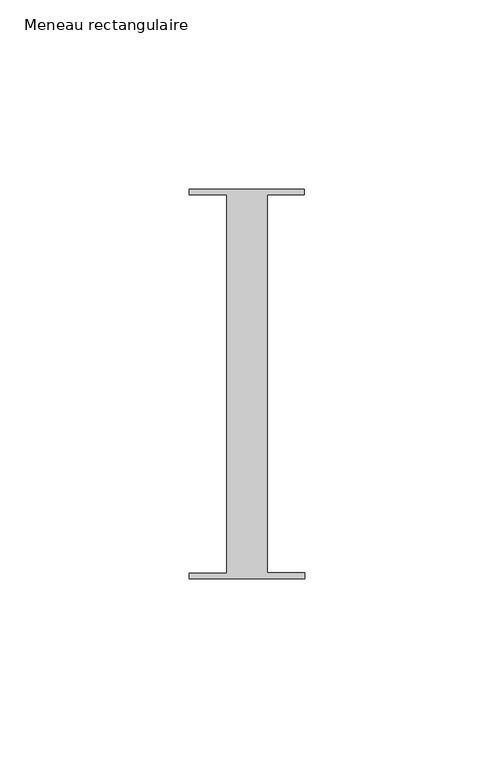
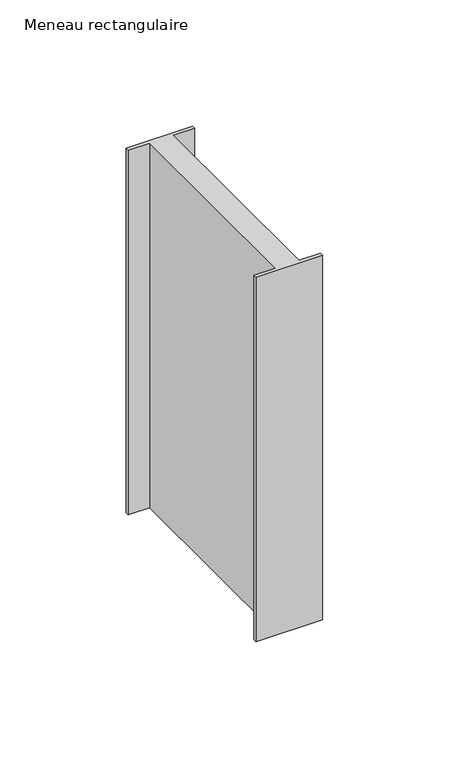
"""IFC4 building model written with IfcOpenShell, lengths in millimetres: member geometry, Meneau rectangulaire."""

from ifc_helpers import new_model, si_unit, frame, origin, place, context, project, spatial, polyline, outline, extrude, source, transform, mapped, element, save


def meneau_rectangulaire_98c22745(model_context):
    return source(origin(), model_context, "Body", "SweptSolid", [
        extrude(outline(polyline([(15.1919193, 51.5152664), (15.1934333, 50.0054494), (5.4028486, 50.0054494), (5.4028486, -49.9846825), (15.2937013, -49.9846825), (15.2952055, -51.4846817), (-15.2047792, -51.5152664), (-15.2062834, -50.0152672), (-5.4194144, -50.0152672), (-5.4194144, 49.9942223), (-15.3065707, 49.9942223), (-15.3080653, 51.4846817), (15.1919193, 51.5152664)])), frame((0.0, 0.0, -176.4071477), z_axis=(0.0, 0.0, 1.0), x_axis=(1.0, 0.0, 0.0)), (0.0, 0.0, 1.0), 176.4071477),
    ])


if __name__ == "__main__":
    model = new_model("IFC4")
    model_context = context("Model", 3, world=origin())
    ifc_project = project(units=[si_unit("LENGTHUNIT", "METRE", prefix="MILLI")], contexts=[model_context])
    site = spatial("IfcSite", under=ifc_project)
    building = spatial("IfcBuilding", under=site)
    placement = place(None, origin())
    meneau_rectangulaire_shape = meneau_rectangulaire_98c22745(model_context)
    element("IfcMember", 1, ObjectType="Meneau rectangulaire", at=placement, inside=building, context=model_context, shape_type="MappedRepresentation", body=[
        mapped(meneau_rectangulaire_shape, transform((0.0, 0.0, 0.0), x_axis=(1.0, 0.0, 0.0), y_axis=(0.0, 1.0, 0.0), z_axis=(0.0, 0.0, 1.0))),
    ])
    save(model, "model.ifc")
